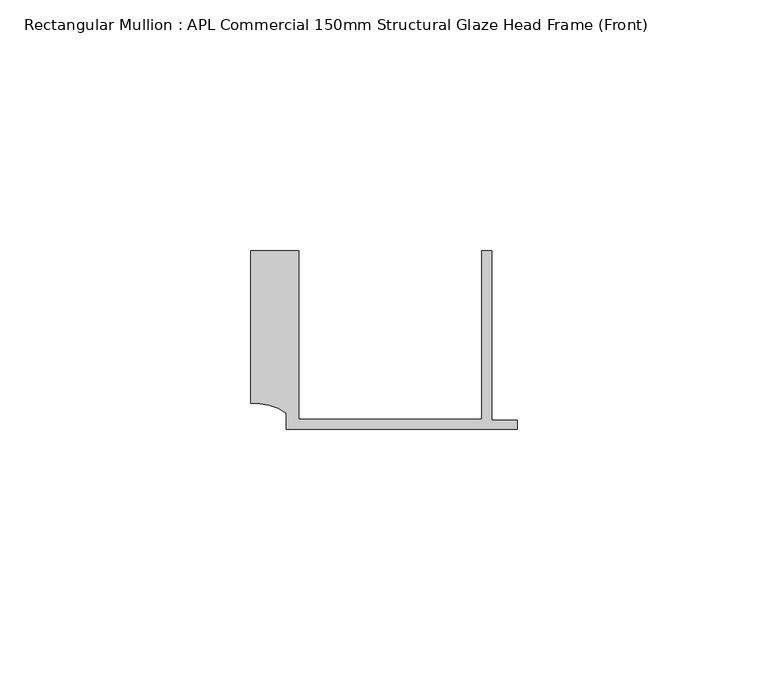
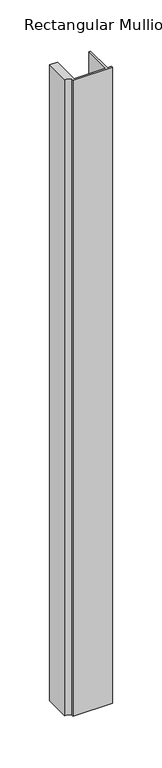
"""IFC4 building model written with IfcOpenShell, lengths in millimetres: member geometry, Rectangular Mullion : APL Commercial 150mm Structural Glaze Head Frame (Front)."""

from ifc_helpers import new_model, si_unit, point, frame, frame_2d, origin, place, context, project, spatial, polyline, circle_curve, trimmed, segment, composite_curve, outline, extrude, source, transform, mapped, element, save


def rectangular_mullion_apl_commercial_150mm_structural_glaze_e44df6a0(model_context):
    return source(origin(), model_context, "Body", "SweptSolid", [
        extrude(outline(composite_curve([segment(polyline([(-52.9999542, 15.0), (-43.5000151, 15.0), (-43.5000151, -18.5002486), (-7.0, -18.5002486), (-7.0, 15.0), (-5.0, 15.0), (-5.0, -18.7002486), (0.0, -18.7002486), (0.0, -20.5002486), (-45.9999994, -20.5002486), (-45.9999994, -17.3126154)]), True, "CONTINUOUS"), segment(trimmed(circle_curve(frame_2d((-52.109817, -25.7982641)), 10.4563907), [point((-45.9999994, -17.3126154))], [point((-52.9999542, -15.3798304))], True, "CARTESIAN"), True, "CONTINUOUS"), segment(polyline([(-52.9999542, -15.3798304), (-52.9999542, 15.0)]), True, "CONTINUOUS")], self_intersect=False)), frame((0.0, 0.0, -782.1423127), z_axis=(0.0, 0.0, 1.0), x_axis=(1.0, 0.0, 0.0)), (0.0, 0.0, 1.0), 782.1423127),
    ])


if __name__ == "__main__":
    model = new_model("IFC4")
    model_context = context("Model", 3, world=origin())
    ifc_project = project(units=[si_unit("LENGTHUNIT", "METRE", prefix="MILLI")], contexts=[model_context])
    site = spatial("IfcSite", under=ifc_project)
    building = spatial("IfcBuilding", under=site)
    placement = place(None, origin())
    rectangular_mullion_apl_commercial_150mm_structural_glaze_shape = rectangular_mullion_apl_commercial_150mm_structural_glaze_e44df6a0(model_context)
    element("IfcMember", 1, ObjectType="Rectangular Mullion : APL Commercial 150mm Structural Glaze Head Frame (Front)", at=placement, inside=building, context=model_context, shape_type="MappedRepresentation", body=[
        mapped(rectangular_mullion_apl_commercial_150mm_structural_glaze_shape, transform((0.0, 0.0, 0.0), x_axis=(1.0, 0.0, 0.0), y_axis=(0.0, 1.0, 0.0), z_axis=(0.0, 0.0, 1.0))),
    ])
    save(model, "model.ifc")
